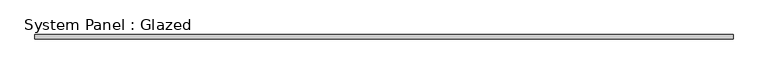
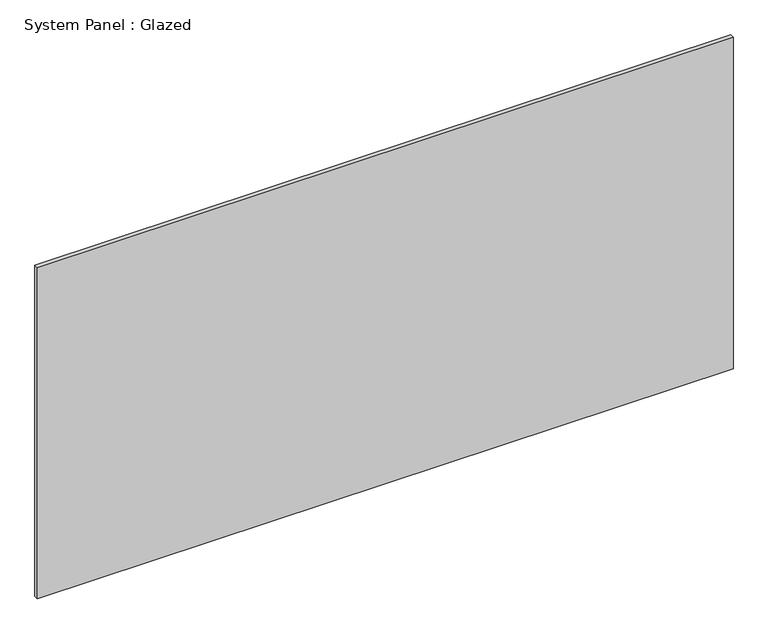
"""IFC4 building model written with IfcOpenShell, lengths in millimetres: plate geometry, System Panel : Glazed."""

from ifc_helpers import new_model, si_unit, origin, origin_with_axes, place, context, project, spatial, polyline, outline, extrude, source, transform, mapped, element, save


def system_panel_glazed_e77e65cf(model_context):
    return source(origin(), model_context, "Body", "SweptSolid", [
        extrude(outline(polyline([(1986.8469268, -49.5), (-1986.8469268, -49.5), (-1986.8469268, -24.5), (1986.8469268, -24.5), (1986.8469268, -49.5)])), origin_with_axes(), (0.0, 0.0, 1.0), 2000.0),
    ])


if __name__ == "__main__":
    model = new_model("IFC4")
    model_context = context("Model", 3, world=origin())
    ifc_project = project(units=[si_unit("LENGTHUNIT", "METRE", prefix="MILLI")], contexts=[model_context])
    site = spatial("IfcSite", under=ifc_project)
    building = spatial("IfcBuilding", under=site)
    placement = place(None, origin())
    system_panel_glazed_shape = system_panel_glazed_e77e65cf(model_context)
    element("IfcPlate", 1, ObjectType="System Panel : Glazed", at=placement, inside=building, context=model_context, shape_type="MappedRepresentation", body=[
        mapped(system_panel_glazed_shape, transform((0.0, 0.0, 0.0), x_axis=(1.0, 0.0, 0.0), y_axis=(0.0, 1.0, 0.0), z_axis=(0.0, 0.0, 1.0))),
    ])
    save(model, "model.ifc")
